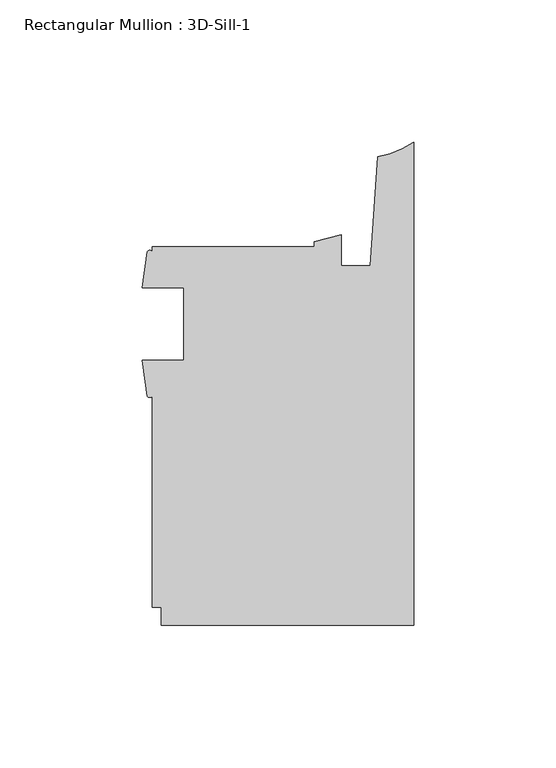
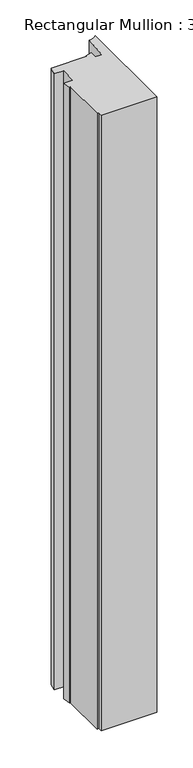
"""IFC4 building model written with IfcOpenShell, lengths in millimetres: member geometry, Rectangular Mullion : 3D-Sill-1."""

from ifc_helpers import new_model, si_unit, point, frame, frame_2d, origin, place, context, project, spatial, polyline, circle_curve, trimmed, segment, composite_curve, outline, extrude, source, transform, mapped, element, save


def rectangular_mullion_3d_sill_1_837d8be0(model_context):
    return source(origin(), model_context, "Body", "SweptSolid", [
        extrude(outline(composite_curve([segment(trimmed(circle_curve(frame_2d((-92.9068292, 1.9651676)), 1.065983), [point((-92.075127, 1.2983909))], [point((-93.7385314, 1.2983909))], False, "CARTESIAN"), True, "CONTINUOUS"), segment(polyline([(-93.7385314, 1.2983909), (-95.5946487, 14.0714437), (-80.962627, 14.0714437), (-80.962627, 39.4714437), (-95.471127, 39.4714437), (-93.6610233, 52.2427313)]), True, "CONTINUOUS"), segment(trimmed(circle_curve(frame_2d((-92.8705885, 51.8025367)), 0.9047422), [point((-93.6610233, 52.2427313))], [point((-92.075127, 52.2335812))], False, "CARTESIAN"), True, "CONTINUOUS"), segment(polyline([(-92.075127, 52.2335812), (-92.075127, 53.9749687), (-34.925, 53.9749687), (-34.925, 55.706233), (-25.4, 58.1484157), (-25.4, 47.3577987), (-15.24, 47.3577987), (-12.5900978, 85.6123565)]), True, "CONTINUOUS"), segment(trimmed(circle_curve(frame_2d((-16.4585191, 112.6416656)), 27.3047292), [point((-12.5900978, 85.6123565))], [point((0.0, 90.8548488))], True, "CARTESIAN"), True, "CONTINUOUS"), segment(polyline([(0.0, 90.8548488), (0.0, -79.3749687), (-88.899973, -79.3749687), (-88.899973, -73.0250313), (-92.075127, -73.0250313), (-92.075127, 1.2983909)]), True, "CONTINUOUS")], self_intersect=False)), frame((0.0, 0.0, -1045.8703315), z_axis=(0.0, 0.0, 1.0), x_axis=(1.0, 0.0, 0.0)), (0.0, 0.0, 1.0), 1045.8703315),
    ])


if __name__ == "__main__":
    model = new_model("IFC4")
    model_context = context("Model", 3, world=origin())
    ifc_project = project(units=[si_unit("LENGTHUNIT", "METRE", prefix="MILLI")], contexts=[model_context])
    site = spatial("IfcSite", under=ifc_project)
    building = spatial("IfcBuilding", under=site)
    placement = place(None, origin())
    rectangular_mullion_3d_sill_1_shape = rectangular_mullion_3d_sill_1_837d8be0(model_context)
    element("IfcMember", 1, ObjectType="Rectangular Mullion : 3D-Sill-1", at=placement, inside=building, context=model_context, shape_type="MappedRepresentation", body=[
        mapped(rectangular_mullion_3d_sill_1_shape, transform((0.0, 0.0, 0.0), x_axis=(1.0, 0.0, 0.0), y_axis=(0.0, 1.0, 0.0), z_axis=(0.0, 0.0, 1.0))),
    ])
    save(model, "model.ifc")
